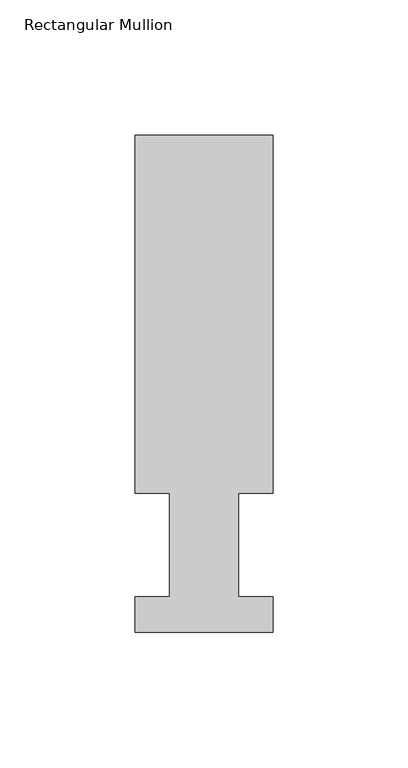
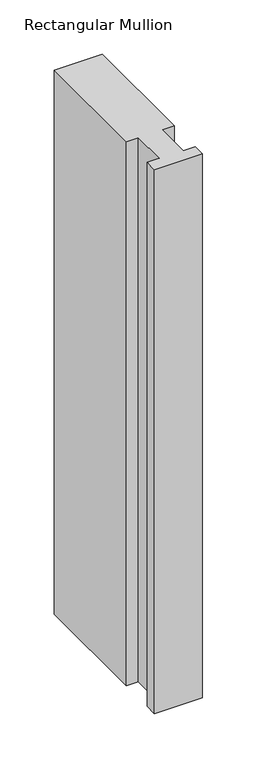
"""IFC4 building model written with IfcOpenShell, lengths in millimetres: member geometry, Rectangular Mullion."""

from ifc_helpers import new_model, si_unit, frame, origin, place, context, project, spatial, polyline, outline, extrude, source, transform, mapped, element, save


def rectangular_mullion_639fab9d(model_context):
    return source(origin(), model_context, "Body", "SweptSolid", [
        extrude(outline(polyline([(-50.8, 13.1960937), (-38.1, 13.1960938), (-38.1, 51.2960938), (-50.8, 51.2960937), (-50.8, 183.4446737), (0.0, 183.4446737), (0.0, 51.2960938), (-12.7, 51.2960937), (-12.7, 13.1960938), (0.0, 13.1960938), (0.0, 0.0134937), (-50.8, 0.0134937), (-50.8, 13.1960937)])), frame((0.0, 0.0, -609.6), z_axis=(0.0, 0.0, 1.0), x_axis=(1.0, 0.0, 0.0)), (0.0, 0.0, 1.0), 609.6),
    ])


if __name__ == "__main__":
    model = new_model("IFC4")
    model_context = context("Model", 3, world=origin())
    ifc_project = project(units=[si_unit("LENGTHUNIT", "METRE", prefix="MILLI")], contexts=[model_context])
    site = spatial("IfcSite", under=ifc_project)
    building = spatial("IfcBuilding", under=site)
    placement = place(None, origin())
    rectangular_mullion_shape = rectangular_mullion_639fab9d(model_context)
    element("IfcMember", 1, ObjectType="Rectangular Mullion", at=placement, inside=building, context=model_context, shape_type="MappedRepresentation", body=[
        mapped(rectangular_mullion_shape, transform((0.0, 0.0, 0.0), x_axis=(1.0, 0.0, 0.0), y_axis=(0.0, 1.0, 0.0), z_axis=(0.0, 0.0, 1.0))),
    ])
    save(model, "model.ifc")
